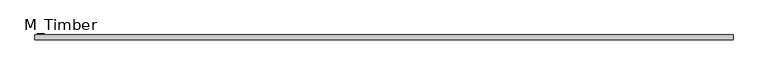
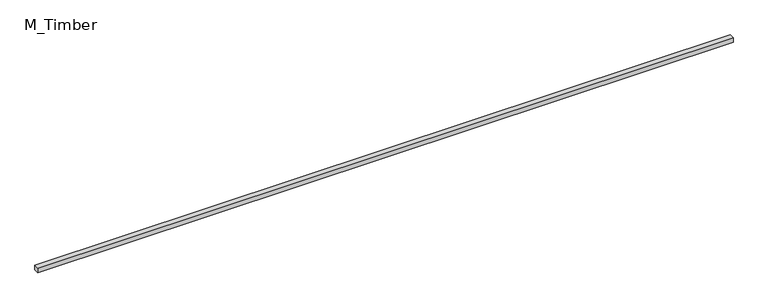
"""IFC4 building model written with IfcOpenShell, lengths in millimetres: beam geometry, M_Timber."""

from ifc_helpers import new_model, si_unit, frame, origin, place, context, project, spatial, polyline, outline, extrude, source, transform, mapped, element, save


def m_timber_16396bba(model_context):
    return source(origin(), model_context, "Body", "SweptSolid", [
        extrude(outline(polyline([(2816.1251214, 20.0), (2816.1251214, -20.0), (-2816.1251214, -20.0), (-2816.1251214, 20.0), (2816.1251214, 20.0)])), frame((0.0, 0.0, -20.0), z_axis=(0.0, 0.0, 1.0), x_axis=(1.0, 0.0, 0.0)), (0.0, 0.0, 1.0), 40.0),
    ])


if __name__ == "__main__":
    model = new_model("IFC4")
    model_context = context("Model", 3, world=origin())
    ifc_project = project(units=[si_unit("LENGTHUNIT", "METRE", prefix="MILLI")], contexts=[model_context])
    site = spatial("IfcSite", under=ifc_project)
    building = spatial("IfcBuilding", under=site)
    placement = place(None, origin())
    m_timber_shape = m_timber_16396bba(model_context)
    element("IfcBeam", 1, ObjectType="M_Timber", at=placement, inside=building, context=model_context, shape_type="MappedRepresentation", body=[
        mapped(m_timber_shape, transform((0.0, 0.0, 0.0), x_axis=(1.0, 0.0, 0.0), y_axis=(0.0, 1.0, 0.0), z_axis=(0.0, 0.0, 1.0))),
    ])
    save(model, "model.ifc")
